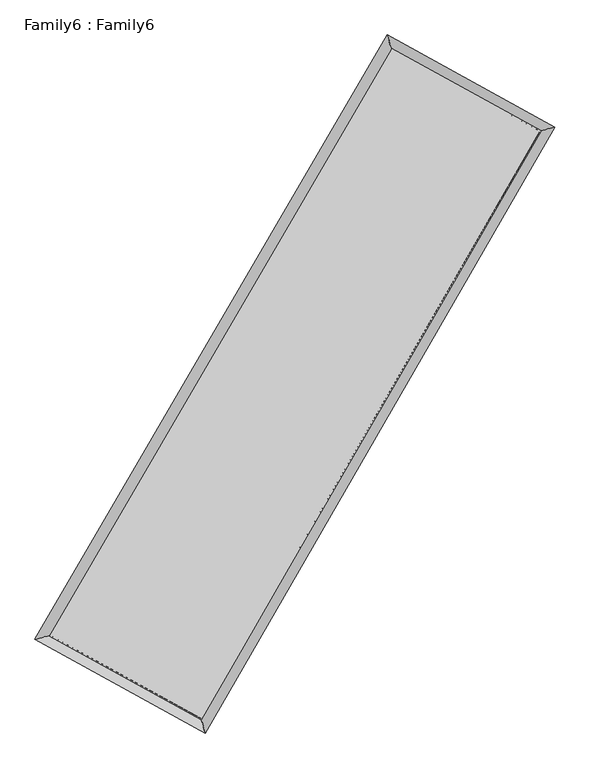
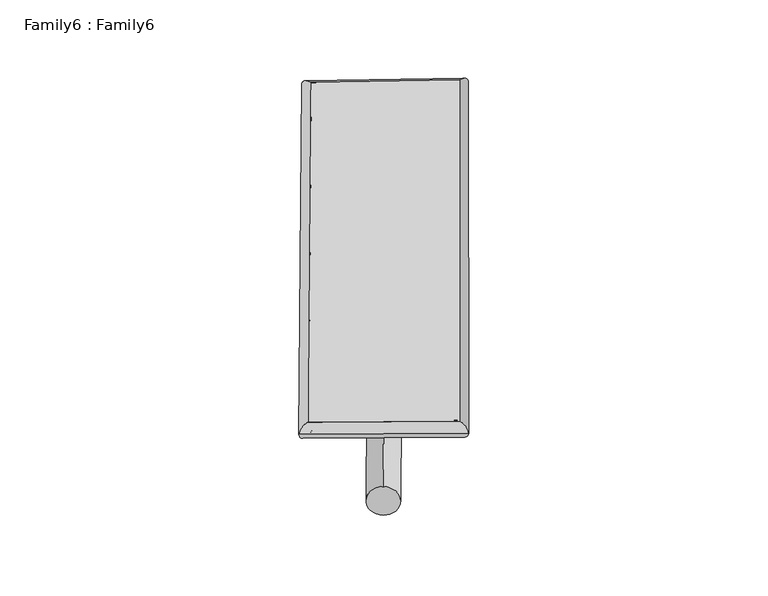
"""IFC4 building model written with IfcOpenShell, lengths in millimetres: plate geometry, Family6 : Family6."""

from ifc_helpers import new_model, si_unit, point, frame, origin, origin_2d, place, context, project, spatial, circle_curve, ellipse_curve, trimmed, segment, composite_curve, outline, extrude, source, transform, mapped, element, save
from ifc_brep_helpers import plane_surface, cylinder_surface, spline_surface, advanced_brep


def family6_family6_240b3356(model_context):
    return source(origin(), model_context, "Body", "SolidModel", [
        extrude(outline(composite_curve([segment(trimmed(circle_curve(origin_2d(), 76.2), [point((-75.4341514, -10.7763073))], [point((75.4341514, 10.7763073))], False, "CARTESIAN"), True, "CONTINUOUS"), segment(trimmed(circle_curve(origin_2d(), 76.2), [point((75.4341514, 10.7763073))], [point((-75.4341514, -10.7763073))], False, "CARTESIAN"), True, "CONTINUOUS")], self_intersect=False)), frame((9144.0, 9144.0, 0.0), z_axis=(0.6702736599717934, 0.6901261689090757, 0.272871932845609), x_axis=(-0.6819643590586008, 0.7178084822800294, -0.14026972496099327)), (0.0, 0.0, 1.0), 5606.9671232),
        extrude(outline(composite_curve([segment(trimmed(circle_curve(origin_2d(), 76.2), [point((-53.8815367, 53.8815367))], [point((53.8815367, -53.8815367))], False, "CARTESIAN"), True, "CONTINUOUS"), segment(trimmed(circle_curve(origin_2d(), 76.2), [point((53.8815367, -53.8815367))], [point((-53.8815367, 53.8815367))], False, "CARTESIAN"), True, "CONTINUOUS")], self_intersect=False)), frame((9144.0, 9144.0, 0.0), z_axis=(-0.6733742897883461, -0.6872296545748138, 0.2725481016720219), x_axis=(0.6410848555925792, -0.3591796477590703, 0.6782331373248526)), (0.0, 0.0, 1.0), 5613.7809495),
        extrude(outline(composite_curve([segment(trimmed(circle_curve(origin_2d(), 76.2), [point((-53.8815368, -53.8815368))], [point((53.8815368, 53.8815368))], False, "CARTESIAN"), True, "CONTINUOUS"), segment(trimmed(circle_curve(origin_2d(), 76.2), [point((53.8815368, 53.8815368))], [point((-53.8815368, -53.8815368))], False, "CARTESIAN"), True, "CONTINUOUS")], self_intersect=False)), frame((9144.0, 9144.0, 0.0), z_axis=(0.26375932654851175, 0.9251298929361043, 0.2730672057474276), x_axis=(-0.8418968472076553, 0.358961819298833, -0.4029343754849938)), (0.0, 0.0, 1.0), 5548.5520716),
        extrude(outline(composite_curve([segment(trimmed(circle_curve(origin_2d(), 76.2), [point((-75.4341515, 10.7763073))], [point((75.4341515, -10.7763073))], False, "CARTESIAN"), True, "CONTINUOUS"), segment(trimmed(circle_curve(origin_2d(), 76.2), [point((75.4341515, -10.7763073))], [point((-75.4341515, 10.7763073))], False, "CARTESIAN"), True, "CONTINUOUS")], self_intersect=False)), frame((9144.0, 9144.0, 0.0), z_axis=(-0.25967757052444834, -0.9263448186930487, 0.2728604702903354), x_axis=(0.8829793328103349, -0.11334429233758155, 0.4555223037616366)), (0.0, 0.0, 1.0), 5553.7192152),
        advanced_brep(
        [(5153.4775345, 5227.8659482, 1528.8976592), (5153.470319, 5227.8563143, 1531.4345184), (5574.1709457, 5344.2205662, 1531.1530227), (10664.2156508, 14071.9139981, 1516.6917222), (10550.7490647, 14482.3487698, 1513.5634981), (5574.1781612, 5344.2302002, 1528.6161636), (12692.5071764, 12955.0095778, 1529.8231721), (13111.8975737, 13072.0199021, 1530.1447405), (7644.4521237, 4204.8688438, 1515.6571097), (7759.19525, 3793.8131173, 1515.1237642)],
        [
            (0, 1, ellipse_curve(frame((5363.8242401, 5286.0432572, 1530.025341), z_axis=(-0.26658365788138677, 0.9638074144960191, 0.002901915415405502), x_axis=(-0.9637964933366079, -0.2665951799159639, 0.004830059796000463)), 218.2581286, 152.4)),
            (1, 2, ellipse_curve(frame((5363.8242401, 5286.0432572, 1530.025341), z_axis=(-0.26658365788138677, 0.9638074144960191, 0.002901915415405502), x_axis=(-0.9637964933366079, -0.2665951799159639, 0.004830059796000463)), 218.2581286, 152.4)),
            (2, 3),
            (3, 4, ellipse_curve(frame((10607.4823577, 14277.131384, 1515.1276101), z_axis=(-0.9638360380048543, -0.26647949265490956, -0.002961728800430104), x_axis=(0.2664626997611563, -0.9638318168580723, 0.005085120260470332)), 212.9213682, 152.4)),
            (4, 0),
            (2, 5, ellipse_curve(frame((5363.8242401, 5286.0432572, 1530.025341), z_axis=(-0.26658365788138677, 0.9638074144960191, 0.002901915415405502), x_axis=(-0.9637964933366079, -0.2665951799159639, 0.004830059796000463)), 218.2581286, 152.4)),
            (5, 0, ellipse_curve(frame((5363.8242401, 5286.0432572, 1530.025341), z_axis=(-0.26658365788138677, 0.9638074144960191, 0.002901915415405502), x_axis=(-0.9637964933366079, -0.2665951799159639, 0.004830059796000463)), 218.2581286, 152.4)),
            (4, 3, ellipse_curve(frame((10607.4823577, 14277.131384, 1515.1276101), z_axis=(-0.9638360380048543, -0.26647949265490956, -0.002961728800430104), x_axis=(0.2664626997611563, -0.9638318168580723, 0.005085120260470332)), 212.9213682, 152.4)),
            (3, 6),
            (6, 7, ellipse_curve(frame((12902.202375, 13013.5147399, 1529.9839563), z_axis=(-0.2687340632109752, 0.9632095861960078, -0.0030489883954223666), x_axis=(-0.9631981924899675, -0.26874656140469727, -0.004952546537964757)), 217.7058383, 152.4)),
            (7, 4),
            (7, 6, ellipse_curve(frame((12902.202375, 13013.5147399, 1529.9839563), z_axis=(-0.2687340632109752, 0.9632095861960078, -0.0030489883954223666), x_axis=(-0.9631981924899675, -0.26874656140469727, -0.004952546537964757)), 217.7058383, 152.4)),
            (6, 8),
            (8, 9, ellipse_curve(frame((7701.8236868, 3999.3409805, 1515.3904369), z_axis=(0.9631732674097571, 0.2688663087335985, -0.002857442069781096), x_axis=(-0.2688506148922343, 0.9631693254118021, 0.004919091160129246)), 213.3866416, 152.4)),
            (9, 7),
            (9, 8, ellipse_curve(frame((7701.8236868, 3999.3409805, 1515.3904369), z_axis=(0.9631732674097571, 0.2688663087335985, -0.002857442069781096), x_axis=(-0.2688506148922343, 0.9631693254118021, 0.004919091160129246)), 213.3866416, 152.4)),
            (8, 5),
            (1, 9),
        ],
        [
            cylinder_surface(frame((5363.8242401, 5286.0432572, 1530.025341), z_axis=(-0.5037885521418566, -0.8638258192941715, 0.0014313111352183593), x_axis=(-0.8637991406069325, 0.5037583013246932, -0.008866709264692886)), 152.4),
            cylinder_surface(frame((10607.4823577, 14277.131384, 1515.1276101), z_axis=(-0.8759565942984194, 0.4823565941160327, -0.005671068496776193), x_axis=(0.48238245248048917, 0.8759479412658253, -0.004730087850215527)), 152.4),
            cylinder_surface(frame((12902.202375, 13013.5147399, 1529.9839563), z_axis=(0.4997143075121063, 0.8661891504566408, 0.0014023191146852344), x_axis=(0.8661902042077564, -0.49971430751210627, -0.0003755026253016486)), 152.4),
            cylinder_surface(frame((7701.8236868, 3999.3409805, 1515.3904369), z_axis=(0.8760757125581384, -0.48214237839081636, -0.005483869564175909), x_axis=(-0.4821290471558555, -0.876092714570158, 0.0036245504105381445)), 152.4),
        ],
        [
            (0, [[1, 2, 3, 4, 5]]),
            (0, [[6, 7, -5, 8, -3]]),
            (1, [[-4, 9, 10, 11]]),
            (1, [[-8, -11, 12, -9]]),
            (2, [[-10, 13, 14, 15]]),
            (2, [[-12, -15, 16, -13]]),
            (3, [[-14, 17, -6, -2, 18]]),
            (3, [[-16, -18, -1, -7, -17]]),
        ],
    ),
        extrude(outline(composite_curve([segment(trimmed(circle_curve(origin_2d(), 304.8), [point((0.0, -304.8))], [point((0.0, 304.8))], False, "CARTESIAN"), True, "CONTINUOUS"), segment(trimmed(circle_curve(origin_2d(), 304.8), [point((0.0, 304.8))], [point((0.0, -304.8))], False, "CARTESIAN"), True, "CONTINUOUS")], self_intersect=False)), frame((6513.3432558, 4624.5863572, -0.0015452), z_axis=(0.5030621123899599, 0.8642502595184246, 2.954826462130975e-07), x_axis=(-0.8642502595184715, 0.5030621123899599, 7.973506959142623e-08)), (0.0, 0.0, 1.0), 10458.5763048),
        advanced_brep(
        [(5363.8242401, 5286.0432572, 1530.025341), (7701.8236868, 3999.3409805, 1515.3904369), (7701.8260609, 3999.3421861, 1667.7904369), (5363.8266142, 5286.0444628, 1682.425341), (12902.202375, 13013.5147399, 1529.9839563), (12902.2047491, 13013.5159455, 1682.3839563), (10607.4823577, 14277.131384, 1515.1276101), (10607.4847319, 14277.1325895, 1667.5276101)],
        [
            (0, 1),
            (1, 2),
            (2, 3),
            (3, 0),
            (1, 4),
            (4, 5),
            (5, 2),
            (4, 6),
            (6, 7),
            (7, 5),
            (6, 0),
            (3, 7),
        ],
        [
            plane_surface(frame((6532.8239635, 4642.6921189, 1522.707889), z_axis=(-0.4821495588133996, -0.8760889239840279, 1.4441348136405574e-05), x_axis=(0.8760757125581383, -0.48214237839081664, -0.005483869564175908))),
            plane_surface(frame((10302.0130309, 8506.4278602, 1522.6871966), z_axis=(0.866190008784236, -0.49971478724502455, -9.54071788472502e-06), x_axis=(0.4997143075121063, 0.8661891504566406, 0.001402319114685236))),
            plane_surface(frame((11754.8423664, 13645.323062, 1522.5557832), z_axis=(0.48236442254561207, 0.8759706408628182, -1.4443759662426548e-05), x_axis=(-0.8759565942984194, 0.482356594116033, -0.005671068496776192))),
            plane_surface(frame((7985.6532989, 9781.5873206, 1522.5764756), z_axis=(-0.8638266972660112, 0.5037890798744871, 9.471671928812765e-06), x_axis=(-0.5037885521418568, -0.863825819294171, 0.001431311135218357))),
            spline_surface(1, 1, [[(7701.8260609, 3999.3421861, 1667.7904369), (5363.8266142, 5286.0444628, 1682.425341)], [(12902.2047491, 13013.5159455, 1682.3839563), (10607.4847319, 14277.1325895, 1667.5276101)]], [2, 2], [2, 2], [0.0, 1.0], [0.0, 1.0]),
            spline_surface(1, 1, [[(10607.4823577, 14277.131384, 1515.1276101), (5363.8242401, 5286.0432572, 1530.025341)], [(12902.202375, 13013.5147399, 1529.9839563), (7701.8236868, 3999.3409805, 1515.3904369)]], [2, 2], [2, 2], [0.0, 1.0], [0.0, 1.0]),
        ],
        [
            (0, [[1, 2, 3, 4]]),
            (1, [[5, 6, 7, -2]]),
            (2, [[8, 9, 10, -6]]),
            (3, [[11, -4, 12, -9]]),
            (4, [[-3, -7, -10, -12]]),
            (5, [[-11, -8, -5, -1]]),
        ],
    ),
    ])


if __name__ == "__main__":
    model = new_model("IFC4")
    model_context = context("Model", 3, world=origin())
    ifc_project = project(units=[si_unit("LENGTHUNIT", "METRE", prefix="MILLI")], contexts=[model_context])
    site = spatial("IfcSite", under=ifc_project)
    building = spatial("IfcBuilding", under=site)
    placement = place(None, origin())
    family6_family6_shape = family6_family6_240b3356(model_context)
    element("IfcPlate", 1, ObjectType="Family6 : Family6", at=placement, inside=building, context=model_context, shape_type="MappedRepresentation", body=[
        mapped(family6_family6_shape, transform((0.0, 0.0, 0.0), x_axis=(1.0, 0.0, 0.0), y_axis=(0.0, 1.0, 0.0), z_axis=(0.0, 0.0, 1.0))),
    ])
    save(model, "model.ifc")
